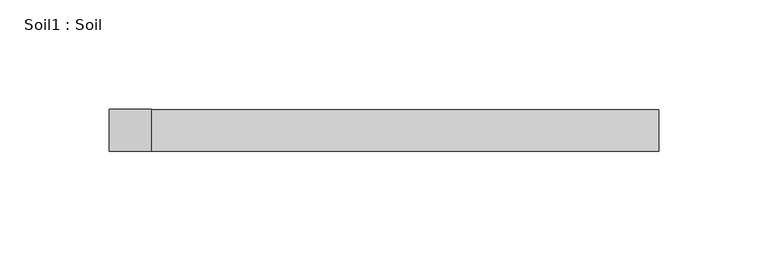
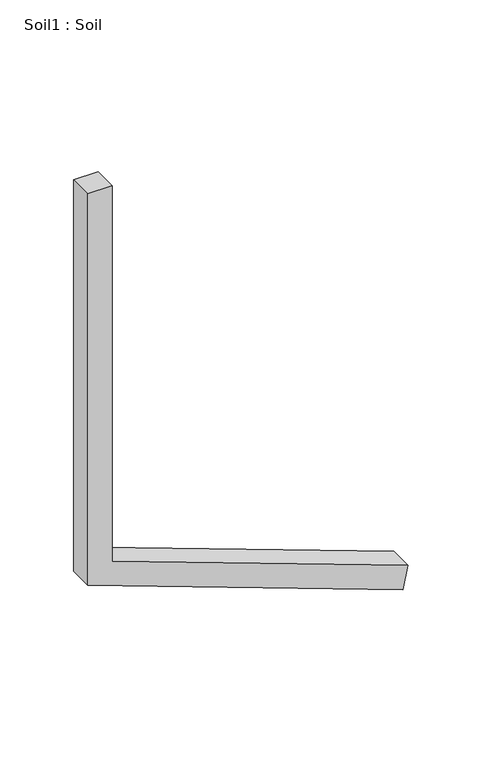
"""IFC4 building model written with IfcOpenShell, lengths in millimetres: proxy geometry, Soil1 : Soil."""

from ifc_helpers import new_model, si_unit, frame, origin, place, context, project, spatial, polyline, outline, extrude, source, transform, mapped, element, save


def soil1_soil_bd9842a4(model_context):
    return source(origin(), model_context, "Body", "SweptSolid", [
        extrude(outline(polyline([(89.9991668, 37739.4030211), (0.0, 37986.2694793), (18.8451583, 37990.1955539), (103.3306531, 37758.4530211), (413.8491668, 37758.4530211), (413.8491668, 37739.4030211), (89.9991668, 37739.4030211)])), frame((0.0, -18814.8264268, 0.0), z_axis=(0.0, 1.0, 0.0), x_axis=(0.0, 0.0, 1.0)), (0.0, 0.0, 1.0), 19.05),
    ])


if __name__ == "__main__":
    model = new_model("IFC4")
    model_context = context("Model", 3, world=origin())
    ifc_project = project(units=[si_unit("LENGTHUNIT", "METRE", prefix="MILLI")], contexts=[model_context])
    site = spatial("IfcSite", under=ifc_project)
    building = spatial("IfcBuilding", under=site)
    placement = place(None, origin())
    soil1_soil_shape = soil1_soil_bd9842a4(model_context)
    element("IfcBuildingElementProxy", 1, Name="Soil1 : Soil", ObjectType="Soil1 : Soil", at=placement, inside=building, context=model_context, shape_type="MappedRepresentation", body=[
        mapped(soil1_soil_shape, transform((0.0, 0.0, 0.0), x_axis=(1.0, 0.0, 0.0), y_axis=(0.0, 1.0, 0.0), z_axis=(0.0, 0.0, 1.0))),
    ])
    save(model, "model.ifc")
